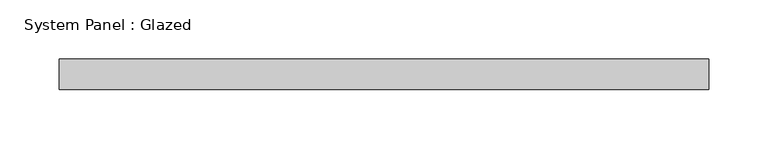
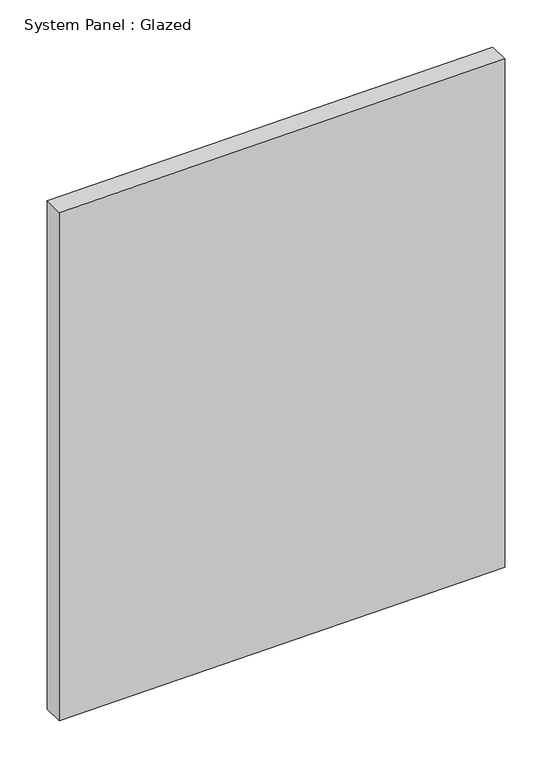
"""IFC4 building model written with IfcOpenShell, lengths in millimetres: plate geometry, System Panel : Glazed."""

from ifc_helpers import new_model, si_unit, frame, origin, place, context, project, spatial, polyline, outline, extrude, source, transform, mapped, element, save


def system_panel_glazed_741e84d1(model_context):
    return source(origin(), model_context, "Body", "SweptSolid", [
        extrude(outline(polyline([(0.0, -273.05), (7.6059261, 273.05), (666.5607136, 273.05), (658.7580659, -273.05), (0.0, -273.05)])), frame((0.0, 19.05, 0.0), z_axis=(0.0, 1.0, 0.0), x_axis=(0.0, 0.0, 1.0)), (0.0, 0.0, 1.0), 25.4),
    ])


if __name__ == "__main__":
    model = new_model("IFC4")
    model_context = context("Model", 3, world=origin())
    ifc_project = project(units=[si_unit("LENGTHUNIT", "METRE", prefix="MILLI")], contexts=[model_context])
    site = spatial("IfcSite", under=ifc_project)
    building = spatial("IfcBuilding", under=site)
    placement = place(None, origin())
    system_panel_glazed_shape = system_panel_glazed_741e84d1(model_context)
    element("IfcPlate", 1, ObjectType="System Panel : Glazed", at=placement, inside=building, context=model_context, shape_type="MappedRepresentation", body=[
        mapped(system_panel_glazed_shape, transform((0.0, 0.0, 0.0), x_axis=(1.0, 0.0, 0.0), y_axis=(0.0, 1.0, 0.0), z_axis=(0.0, 0.0, 1.0))),
    ])
    save(model, "model.ifc")
